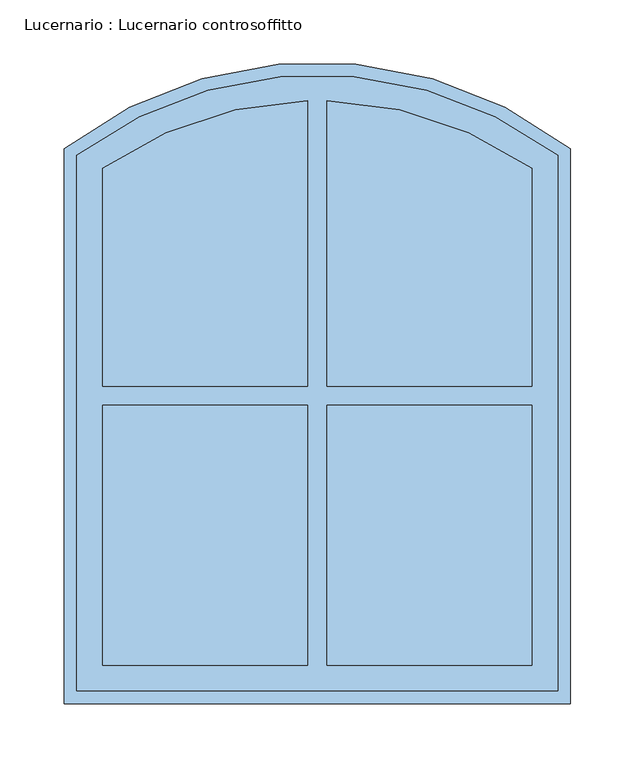
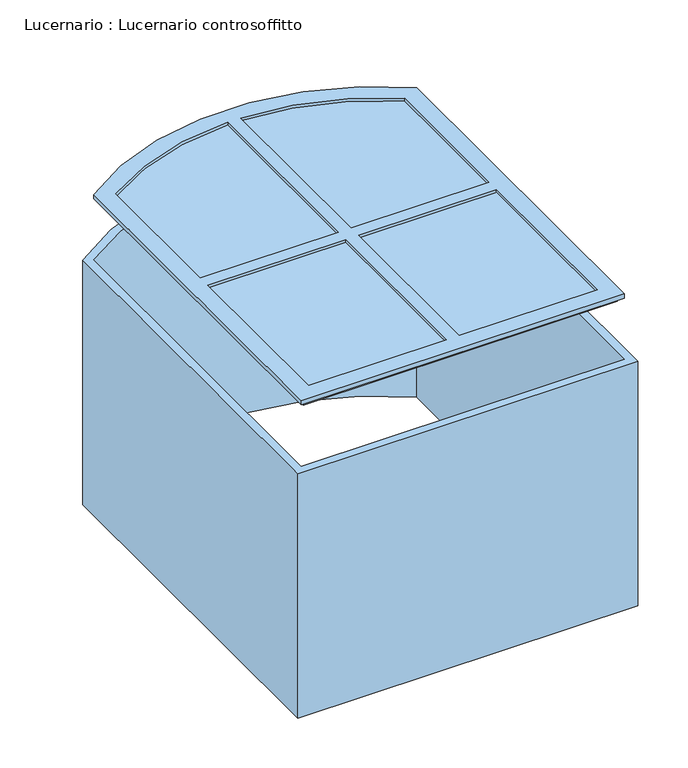
"""IFC4 building model written with IfcOpenShell, lengths in millimetres: window geometry, Lucernario : Lucernario controsoffitto."""

from ifc_helpers import new_model, si_unit, point, frame, frame_2d, origin, place, context, project, spatial, polyline, circle_curve, trimmed, segment, composite_curve, outline, extrude, source, transform, mapped, element, save
from ifc_brep_helpers import plane_surface, cylinder_surface, revolved_surface, advanced_brep


def lucernario_lucernario_controsoffitto_d27b6d94(model_context):
    return source(origin(), model_context, "Body", "SolidModel", [
        extrude(outline(composite_curve([segment(polyline([(197.5, -250.0), (-197.5, -250.0), (-197.5, 182.4647719)]), True, "CONTINUOUS"), segment(trimmed(circle_curve(frame_2d((0.0, -72.5520833)), 322.5520833), [point((-197.5, 182.4647719))], [point((197.5, 182.4647719))], False, "CARTESIAN"), True, "CONTINUOUS"), segment(polyline([(197.5, 182.4647719), (197.5, -250.0)]), True, "CONTINUOUS")], self_intersect=False), holes=[composite_curve([segment(polyline([(187.5, -240.0), (187.5, 177.5130178)]), True, "CONTINUOUS"), segment(trimmed(circle_curve(frame_2d((0.0, -72.5520833)), 312.5520833), [point((187.5, 177.5130178))], [point((-187.5, 177.5130178))], True, "CARTESIAN"), True, "CONTINUOUS"), segment(polyline([(-187.5, 177.5130178), (-187.5, -240.0), (187.5, -240.0)]), True, "CONTINUOUS")], self_intersect=False)]), frame((0.0, 0.0, 3700.0), z_axis=(0.0, 0.0, 1.0), x_axis=(1.0, 0.0, 0.0)), (0.0, 0.0, 1.0), 300.0),
        advanced_brep(
        [(-182.5, -235.0, 4070.0), (182.5, -235.0, 4070.0), (182.5, -235.0, 4075.0), (-182.5, -235.0, 4075.0), (-187.5, -240.0, 4075.0), (187.5, -240.0, 4075.0), (187.5, -240.0, 4080.0), (-187.5, -240.0, 4080.0), (-167.5, -220.0, 4080.0), (-7.5, -220.0, 4080.0), (-7.5, -220.0, 4070.0), (-167.5, -220.0, 4070.0), (167.5, -220.0, 4070.0), (7.5, -220.0, 4070.0), (7.5, -220.0, 4080.0), (167.5, -220.0, 4080.0), (182.5, 175.0, 4070.0), (182.5, 175.0, 4075.0), (187.5, 177.5130178, 4075.0), (187.5, 177.5130178, 4080.0), (167.5, -17.5, 4080.0), (167.5, -17.5, 4070.0), (167.5, 167.3030218, 4070.0), (167.5, -2.5, 4070.0), (167.5, -2.5, 4080.0), (167.5, 167.3030218, 4080.0), (-182.5, 175.0, 4070.0), (-182.5, 175.0, 4075.0), (-187.5, 177.5130178, 4075.0), (-187.5, 177.5130178, 4080.0), (-167.5, -17.5, 4080.0), (-7.5, -17.5, 4080.0), (7.5, -17.5, 4080.0), (7.5, -2.5, 4080.0), (7.5, 219.9038475, 4080.0), (-7.5, 219.9038475, 4080.0), (-7.5, -2.5, 4080.0), (-167.5, -2.5, 4080.0), (-167.5, 167.3030218, 4080.0), (7.5, 219.9038475, 4070.0), (-167.5, 167.3030218, 4070.0), (-7.5, 219.9038475, 4070.0), (7.5, -17.5, 4070.0), (7.5, -2.5, 4070.0), (-167.5, -2.5, 4070.0), (-7.5, -2.5, 4070.0), (-7.5, -17.5, 4070.0), (-167.5, -17.5, 4070.0)],
        [
            (0, 1),
            (1, 2),
            (2, 3),
            (3, 0),
            (4, 5),
            (5, 6),
            (6, 7),
            (7, 4),
            (8, 9),
            (9, 10),
            (10, 11),
            (11, 8),
            (12, 13),
            (13, 14),
            (14, 15),
            (15, 12),
            (1, 16),
            (16, 17),
            (17, 2),
            (5, 18),
            (18, 19),
            (19, 6),
            (15, 20),
            (20, 21),
            (21, 12),
            (22, 23),
            (23, 24),
            (24, 25),
            (25, 22),
            (16, 26, circle_curve(frame((0.0, -72.5520833, 4070.0), z_axis=(0.0, 0.0, 1.0), x_axis=(0.5933954276037426, 0.804911092294653, 0.0)), 307.5520833)),
            (26, 27),
            (27, 17, circle_curve(frame((0.0, -72.5520833, 4075.0), z_axis=(0.0, 0.0, -1.0), x_axis=(0.5933954276037426, 0.804911092294653, 0.0)), 307.5520833)),
            (4, 28),
            (28, 18, circle_curve(frame((0.0, -72.5520833, 4075.0), z_axis=(0.0, 0.0, -1.0), x_axis=(0.5933954276037426, 0.804911092294653, 0.0)), 312.5520833)),
            (27, 3),
            (28, 29),
            (29, 19, circle_curve(frame((0.0, -72.5520833, 4080.0), z_axis=(0.0, 0.0, -1.0), x_axis=(0.5933954276037426, 0.804911092294653, 0.0)), 312.5520833)),
            (29, 7),
            (8, 30),
            (30, 31),
            (31, 9),
            (14, 32),
            (32, 20),
            (24, 33),
            (33, 34),
            (34, 25, circle_curve(frame((0.0, -72.5520833, 4080.0), z_axis=(0.0, 0.0, -1.0), x_axis=(0.5933954276037426, 0.804911092294653, 0.0)), 292.5520833)),
            (35, 36),
            (36, 37),
            (37, 38),
            (38, 35, circle_curve(frame((0.0, -72.5520833, 4080.0), z_axis=(0.0, 0.0, -1.0), x_axis=(0.5933954276037426, 0.804911092294653, 0.0)), 292.5520833)),
            (34, 39),
            (39, 22, circle_curve(frame((0.0, -72.5520833, 4070.0), z_axis=(0.0, 0.0, -1.0), x_axis=(0.5933954276037426, 0.804911092294653, 0.0)), 292.5520833)),
            (40, 41, circle_curve(frame((0.0, -72.5520833, 4070.0), z_axis=(0.0, 0.0, -1.0), x_axis=(0.5933954276037426, 0.804911092294653, 0.0)), 292.5520833)),
            (41, 35),
            (38, 40),
            (0, 26),
            (21, 42),
            (42, 13),
            (39, 43),
            (43, 23),
            (40, 44),
            (44, 45),
            (45, 41),
            (10, 46),
            (46, 47),
            (47, 11),
            (37, 44),
            (47, 30),
            (31, 46),
            (45, 36),
            (33, 43),
            (42, 32),
        ],
        [
            plane_surface(frame((-182.5, -235.0, 4075.0), z_axis=(0.0, -1.0, 0.0), x_axis=(1.0, 0.0, 0.0))),
            plane_surface(frame((-187.5, -240.0, 4080.0), z_axis=(0.0, -1.0, 0.0), x_axis=(1.0, 0.0, 0.0))),
            plane_surface(frame((-167.5, -220.0, 4070.0), z_axis=(0.0, 1.0, 0.0), x_axis=(1.0, 0.0, 0.0))),
            plane_surface(frame((182.5, -235.0, 4075.0), z_axis=(1.0, 0.0, 0.0), x_axis=(0.0, 1.0, 0.0))),
            plane_surface(frame((187.5, -240.0, 4080.0), z_axis=(1.0, 0.0, 0.0), x_axis=(0.0, 1.0, 0.0))),
            plane_surface(frame((167.5, -220.0, 4070.0), z_axis=(-1.0, 0.0, 0.0), x_axis=(0.0, 1.0, 0.0))),
            cylinder_surface(frame((0.0, -72.5520833, 4000.0), z_axis=(0.0, 0.0, -1.0), x_axis=(0.5933954276037426, 0.804911092294653, 0.0)), 307.5520833),
            plane_surface(frame((0.0, -72.5520833, 4075.0), z_axis=(0.0, 0.0, -1.0), x_axis=(0.5933954276037426, 0.804911092294653, 0.0))),
            cylinder_surface(frame((0.0, -72.5520833, 4000.0), z_axis=(0.0, 0.0, -1.0), x_axis=(0.5933954276037426, 0.804911092294653, 0.0)), 312.5520833),
            plane_surface(frame((0.0, -72.5520833, 4080.0), z_axis=(0.0, 0.0, 1.0), x_axis=(0.5933954276037426, 0.804911092294653, 0.0))),
            revolved_surface(polyline([(173.59906856616922, 162.9263336220793, 4070.0), (173.59906856616922, 162.9263336220793, 4080.0)]), (0.0, -72.5520833, 4000.0), (0.0, 0.0, -1.0)),
            plane_surface(frame((0.0, -72.5520833, 4070.0), z_axis=(0.0, 0.0, -1.0), x_axis=(0.5933954276037426, 0.804911092294653, 0.0))),
            plane_surface(frame((-182.5, 175.0, 4075.0), z_axis=(-1.0, 0.0, 0.0), x_axis=(0.0, -1.0, 0.0))),
            plane_surface(frame((-187.5, 177.5130178, 4080.0), z_axis=(-1.0, 0.0, 0.0), x_axis=(0.0, -1.0, 0.0))),
            plane_surface(frame((-167.5, 167.3030218, 4070.0), z_axis=(1.0, 0.0, 0.0), x_axis=(0.0, -1.0, 0.0))),
            plane_surface(frame((-7.5, 223.6048067, 4080.0), z_axis=(-1.0, 0.0, 0.0), x_axis=(0.0, -1.0, 0.0))),
            plane_surface(frame((7.5, 223.6048067, 4070.0), z_axis=(1.0, 0.0, 0.0), x_axis=(0.0, -1.0, 0.0))),
            plane_surface(frame((167.5, -17.5, 4070.0), z_axis=(0.0, -1.0, 0.0), x_axis=(-1.0, 0.0, 0.0))),
            plane_surface(frame((167.5, -2.5, 4080.0), z_axis=(0.0, 1.0, 0.0), x_axis=(-1.0, 0.0, 0.0))),
        ],
        [
            (0, [[1, 2, 3, 4]]),
            (1, [[5, 6, 7, 8]]),
            (2, [[9, 10, 11, 12]]),
            (2, [[13, 14, 15, 16]]),
            (3, [[17, 18, 19, -2]]),
            (4, [[20, 21, 22, -6]]),
            (5, [[23, 24, 25, -16]]),
            (5, [[26, 27, 28, 29]]),
            (6, [[30, 31, 32, -18]]),
            (7, [[33, 34, -20, -5], [-19, -32, 35, -3]]),
            (8, [[-34, 36, 37, -21]]),
            (9, [[-22, -37, 38, -7], [-9, 39, 40, 41], [-15, 42, 43, -23], [-28, 44, 45, 46], [47, 48, 49, 50]]),
            (10, [[-46, 51, 52, -29]]),
            (10, [[53, 54, -50, 55]]),
            (11, [[56, -30, -17, -1], [-25, 57, 58, -13], [-52, 59, 60, -26], [-53, 61, 62, 63], [64, 65, 66, -11]]),
            (12, [[-35, -31, -56, -4]]),
            (13, [[-38, -36, -33, -8]]),
            (14, [[-49, 67, -61, -55]]),
            (14, [[-66, 68, -39, -12]]),
            (15, [[-41, 69, -64, -10]]),
            (15, [[-63, 70, -47, -54]]),
            (16, [[-45, 71, -59, -51]]),
            (16, [[-58, 72, -42, -14]]),
            (17, [[-69, -40, -68, -65]]),
            (17, [[-72, -57, -24, -43]]),
            (18, [[-27, -60, -71, -44]]),
            (18, [[-67, -48, -70, -62]]),
        ],
    ),
        extrude(outline(composite_curve([segment(trimmed(circle_curve(frame_2d((0.0, -72.5520833)), 292.5520833), [point((7.5, 219.9038475))], [point((167.5, 167.3030218))], False, "CARTESIAN"), True, "CONTINUOUS"), segment(polyline([(167.5, 167.3030218), (167.5, -2.5), (7.5, -2.5), (7.5, 219.9038475)]), True, "CONTINUOUS")], self_intersect=False)), frame((0.0, 0.0, 4073.0), z_axis=(0.0, 0.0, 1.0), x_axis=(1.0, 0.0, 0.0)), (0.0, 0.0, 1.0), 4.0),
        extrude(outline(composite_curve([segment(polyline([(-7.5, -2.5), (-167.5, -2.5), (-167.5, 167.3030218)]), True, "CONTINUOUS"), segment(trimmed(circle_curve(frame_2d((0.0, -72.5520833)), 292.5520833), [point((-167.5, 167.3030218))], [point((-7.5, 219.9038475))], False, "CARTESIAN"), True, "CONTINUOUS"), segment(polyline([(-7.5, 219.9038475), (-7.5, -2.5)]), True, "CONTINUOUS")], self_intersect=False)), frame((0.0, 0.0, 4073.0), z_axis=(0.0, 0.0, 1.0), x_axis=(1.0, 0.0, 0.0)), (0.0, 0.0, 1.0), 4.0),
        extrude(outline(polyline([(-167.5, -17.5), (-7.5, -17.5), (-7.5, -220.0), (-167.5, -220.0), (-167.5, -17.5)])), frame((0.0, 0.0, 4073.0), z_axis=(0.0, 0.0, 1.0), x_axis=(1.0, 0.0, 0.0)), (0.0, 0.0, 1.0), 4.0),
        extrude(outline(polyline([(7.5, -17.5), (167.5, -17.5), (167.5, -220.0), (7.5, -220.0), (7.5, -17.5)])), frame((0.0, 0.0, 4073.0), z_axis=(0.0, 0.0, 1.0), x_axis=(1.0, 0.0, 0.0)), (0.0, 0.0, 1.0), 4.0),
    ])


if __name__ == "__main__":
    model = new_model("IFC4")
    model_context = context("Model", 3, world=origin())
    ifc_project = project(units=[si_unit("LENGTHUNIT", "METRE", prefix="MILLI")], contexts=[model_context])
    site = spatial("IfcSite", under=ifc_project)
    building = spatial("IfcBuilding", under=site)
    placement = place(None, origin())
    lucernario_lucernario_controsoffitto_shape = lucernario_lucernario_controsoffitto_d27b6d94(model_context)
    element("IfcWindow", 1, ObjectType="Lucernario : Lucernario controsoffitto", at=placement, inside=building, context=model_context, shape_type="MappedRepresentation", body=[
        mapped(lucernario_lucernario_controsoffitto_shape, transform((0.0, 0.0, 0.0), x_axis=(1.0, 0.0, 0.0), y_axis=(0.0, 1.0, 0.0), z_axis=(0.0, 0.0, 1.0))),
    ])
    save(model, "model.ifc")
